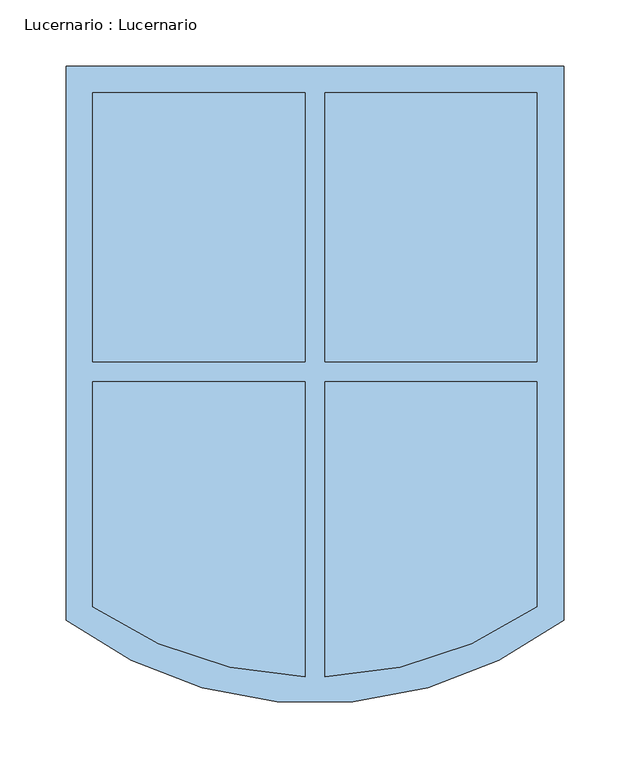
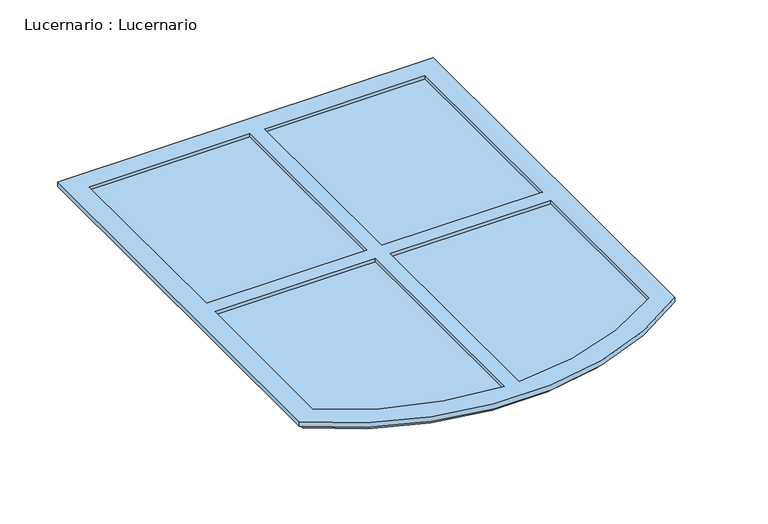
"""IFC4 building model written with IfcOpenShell, lengths in millimetres: window geometry, Lucernario : Lucernario."""

from ifc_helpers import new_model, si_unit, point, frame, frame_2d, origin, place, context, project, spatial, polyline, circle_curve, trimmed, segment, composite_curve, outline, extrude, source, transform, mapped, element, save
from ifc_brep_helpers import plane_surface, cylinder_surface, revolved_surface, advanced_brep


def lucernario_lucernario_9e6fcc1d(model_context):
    return source(origin(), model_context, "Body", "SolidModel", [
        advanced_brep(
        [(-7.5, 220.0, 4080.0), (-7.5, 220.0, 4070.0), (-7.5, 17.5, 4070.0), (-7.5, 17.5, 4080.0), (-7.5, -219.9038475, 4070.0), (-7.5, -219.9038475, 4080.0), (-7.5, 2.5, 4080.0), (-7.5, 2.5, 4070.0), (7.5, 220.0, 4070.0), (7.5, 220.0, 4080.0), (7.5, 17.5, 4080.0), (7.5, 17.5, 4070.0), (7.5, -219.9038475, 4080.0), (7.5, -219.9038475, 4070.0), (7.5, 2.5, 4070.0), (7.5, 2.5, 4080.0), (-182.5, 235.0, 4070.0), (-182.5, 235.0, 4075.0), (182.5, 235.0, 4075.0), (182.5, 235.0, 4070.0), (-187.5, 240.0, 4075.0), (-187.5, 240.0, 4080.0), (187.5, 240.0, 4080.0), (187.5, 240.0, 4075.0), (-167.5, 220.0, 4080.0), (-167.5, 220.0, 4070.0), (167.5, 220.0, 4070.0), (167.5, 220.0, 4080.0), (182.5, -175.0, 4075.0), (182.5, -175.0, 4070.0), (187.5, -177.5130178, 4080.0), (187.5, -177.5130178, 4075.0), (167.5, 17.5, 4070.0), (167.5, 17.5, 4080.0), (167.5, -167.3030218, 4070.0), (167.5, -167.3030218, 4080.0), (167.5, 2.5, 4080.0), (167.5, 2.5, 4070.0), (-182.5, -175.0, 4075.0), (-182.5, -175.0, 4070.0), (-187.5, -177.5130178, 4075.0), (-187.5, -177.5130178, 4080.0), (-167.5, -167.3030218, 4080.0), (-167.5, 2.5, 4080.0), (-167.5, 17.5, 4080.0), (-167.5, -167.3030218, 4070.0), (-167.5, 17.5, 4070.0), (-167.5, 2.5, 4070.0)],
        [
            (0, 1),
            (1, 2),
            (2, 3),
            (3, 0),
            (4, 5),
            (5, 6),
            (6, 7),
            (7, 4),
            (8, 9),
            (9, 10),
            (10, 11),
            (11, 8),
            (12, 13),
            (13, 14),
            (14, 15),
            (15, 12),
            (16, 17),
            (17, 18),
            (18, 19),
            (19, 16),
            (20, 21),
            (21, 22),
            (22, 23),
            (23, 20),
            (24, 25),
            (25, 1),
            (0, 24),
            (26, 27),
            (27, 9),
            (8, 26),
            (18, 28),
            (28, 29),
            (29, 19),
            (22, 30),
            (30, 31),
            (31, 23),
            (26, 32),
            (32, 33),
            (33, 27),
            (34, 35),
            (35, 36),
            (36, 37),
            (37, 34),
            (28, 38, circle_curve(frame((0.0, 72.5520833, 4075.0), z_axis=(0.0, 0.0, -1.0), x_axis=(0.5933954276037426, -0.804911092294653, 0.0)), 307.5520833)),
            (38, 39),
            (39, 29, circle_curve(frame((0.0, 72.5520833, 4070.0), z_axis=(0.0, 0.0, 1.0), x_axis=(0.5933954276037426, -0.804911092294653, 0.0)), 307.5520833)),
            (31, 40, circle_curve(frame((0.0, 72.5520833, 4075.0), z_axis=(0.0, 0.0, -1.0), x_axis=(0.5933954276037426, -0.804911092294653, 0.0)), 312.5520833)),
            (40, 20),
            (17, 38),
            (30, 41, circle_curve(frame((0.0, 72.5520833, 4080.0), z_axis=(0.0, 0.0, -1.0), x_axis=(0.5933954276037426, -0.804911092294653, 0.0)), 312.5520833)),
            (41, 40),
            (21, 41),
            (33, 10),
            (5, 42, circle_curve(frame((0.0, 72.5520833, 4080.0), z_axis=(0.0, 0.0, -1.0), x_axis=(0.5933954276037426, -0.804911092294653, 0.0)), 292.5520833)),
            (42, 43),
            (43, 6),
            (35, 12, circle_curve(frame((0.0, 72.5520833, 4080.0), z_axis=(0.0, 0.0, -1.0), x_axis=(0.5933954276037426, -0.804911092294653, 0.0)), 292.5520833)),
            (15, 36),
            (3, 44),
            (44, 24),
            (34, 13, circle_curve(frame((0.0, 72.5520833, 4070.0), z_axis=(0.0, 0.0, -1.0), x_axis=(0.5933954276037426, -0.804911092294653, 0.0)), 292.5520833)),
            (45, 42),
            (4, 45, circle_curve(frame((0.0, 72.5520833, 4070.0), z_axis=(0.0, 0.0, -1.0), x_axis=(0.5933954276037426, -0.804911092294653, 0.0)), 292.5520833)),
            (39, 16),
            (25, 46),
            (46, 2),
            (11, 32),
            (37, 14),
            (7, 47),
            (47, 45),
            (44, 46),
            (47, 43),
        ],
        [
            plane_surface(frame((-7.5, -223.6048067, 4080.0), z_axis=(-1.0, 0.0, 0.0), x_axis=(0.0, 1.0, 0.0))),
            plane_surface(frame((7.5, -223.6048067, 4070.0), z_axis=(1.0, 0.0, 0.0), x_axis=(0.0, 1.0, 0.0))),
            plane_surface(frame((-182.5, 235.0, 4075.0), z_axis=(0.0, 1.0, 0.0), x_axis=(1.0, 0.0, 0.0))),
            plane_surface(frame((-187.5, 240.0, 4080.0), z_axis=(0.0, 1.0, 0.0), x_axis=(1.0, 0.0, 0.0))),
            plane_surface(frame((-167.5, 220.0, 4070.0), z_axis=(0.0, -1.0, 0.0), x_axis=(1.0, 0.0, 0.0))),
            plane_surface(frame((182.5, 235.0, 4075.0), z_axis=(1.0, 0.0, 0.0), x_axis=(0.0, -1.0, 0.0))),
            plane_surface(frame((187.5, 240.0, 4080.0), z_axis=(1.0, 0.0, 0.0), x_axis=(0.0, -1.0, 0.0))),
            plane_surface(frame((167.5, 220.0, 4070.0), z_axis=(-1.0, 0.0, 0.0), x_axis=(0.0, -1.0, 0.0))),
            cylinder_surface(frame((0.0, 72.5520833, 4000.0), z_axis=(0.0, 0.0, -1.0), x_axis=(0.5933954276037426, -0.804911092294653, 0.0)), 307.5520833),
            plane_surface(frame((0.0, 72.5520833, 4075.0), z_axis=(0.0, 0.0, -1.0), x_axis=(0.5933954276037426, -0.804911092294653, 0.0))),
            cylinder_surface(frame((0.0, 72.5520833, 4000.0), z_axis=(0.0, 0.0, -1.0), x_axis=(0.5933954276037426, -0.804911092294653, 0.0)), 312.5520833),
            plane_surface(frame((0.0, 72.5520833, 4080.0), z_axis=(0.0, 0.0, 1.0), x_axis=(0.5933954276037426, -0.804911092294653, 0.0))),
            revolved_surface(polyline([(173.59906856616922, -162.9263336220793, 4070.0), (173.59906856616922, -162.9263336220793, 4080.0)]), (0.0, 72.5520833, 4000.0), (0.0, 0.0, -1.0)),
            plane_surface(frame((0.0, 72.5520833, 4070.0), z_axis=(0.0, 0.0, -1.0), x_axis=(0.5933954276037426, -0.804911092294653, 0.0))),
            plane_surface(frame((-182.5, -175.0, 4075.0), z_axis=(-1.0, 0.0, 0.0), x_axis=(0.0, 1.0, 0.0))),
            plane_surface(frame((-187.5, -177.5130178, 4080.0), z_axis=(-1.0, 0.0, 0.0), x_axis=(0.0, 1.0, 0.0))),
            plane_surface(frame((-167.5, -167.3030218, 4070.0), z_axis=(1.0, 0.0, 0.0), x_axis=(0.0, 1.0, 0.0))),
            plane_surface(frame((167.5, 17.5, 4070.0), z_axis=(0.0, 1.0, 0.0), x_axis=(-1.0, 0.0, 0.0))),
            plane_surface(frame((167.5, 2.5, 4080.0), z_axis=(0.0, -1.0, 0.0), x_axis=(-1.0, 0.0, 0.0))),
        ],
        [
            (0, [[1, 2, 3, 4]]),
            (0, [[5, 6, 7, 8]]),
            (1, [[9, 10, 11, 12]]),
            (1, [[13, 14, 15, 16]]),
            (2, [[17, 18, 19, 20]]),
            (3, [[21, 22, 23, 24]]),
            (4, [[25, 26, -1, 27]]),
            (4, [[28, 29, -9, 30]]),
            (5, [[-19, 31, 32, 33]]),
            (6, [[-23, 34, 35, 36]]),
            (7, [[-28, 37, 38, 39]]),
            (7, [[40, 41, 42, 43]]),
            (8, [[-32, 44, 45, 46]]),
            (9, [[-24, -36, 47, 48], [-18, 49, -44, -31]]),
            (10, [[-35, 50, 51, -47]]),
            (11, [[-22, 52, -50, -34], [-39, 53, -10, -29], [54, 55, 56, -6], [57, -16, 58, -41], [-4, 59, 60, -27]]),
            (12, [[-40, 61, -13, -57]]),
            (12, [[62, -54, -5, 63]]),
            (13, [[-20, -33, -46, 64], [-26, 65, 66, -2], [-30, -12, 67, -37], [-43, 68, -14, -61], [-8, 69, 70, -63]]),
            (14, [[-17, -64, -45, -49]]),
            (15, [[-21, -48, -51, -52]]),
            (16, [[-25, -60, 71, -65]]),
            (16, [[-62, -70, 72, -55]]),
            (17, [[-53, -38, -67, -11]]),
            (17, [[-66, -71, -59, -3]]),
            (18, [[-58, -15, -68, -42]]),
            (18, [[-69, -7, -56, -72]]),
        ],
    ),
        extrude(outline(composite_curve([segment(polyline([(7.5, -219.9038475), (7.5, 2.5), (167.5, 2.5), (167.5, -167.3030218)]), True, "CONTINUOUS"), segment(trimmed(circle_curve(frame_2d((0.0, 72.5520833)), 292.5520833), [point((167.5, -167.3030218))], [point((7.5, -219.9038475))], False, "CARTESIAN"), True, "CONTINUOUS")], self_intersect=False)), frame((0.0, 0.0, 4073.0), z_axis=(0.0, 0.0, 1.0), x_axis=(1.0, 0.0, 0.0)), (0.0, 0.0, 1.0), 4.0),
        extrude(outline(composite_curve([segment(polyline([(-7.5, 2.5), (-7.5, -219.9038475)]), True, "CONTINUOUS"), segment(trimmed(circle_curve(frame_2d((0.0, 72.5520833)), 292.5520833), [point((-7.5, -219.9038475))], [point((-167.5, -167.3030218))], False, "CARTESIAN"), True, "CONTINUOUS"), segment(polyline([(-167.5, -167.3030218), (-167.5, 2.5), (-7.5, 2.5)]), True, "CONTINUOUS")], self_intersect=False)), frame((0.0, 0.0, 4073.0), z_axis=(0.0, 0.0, 1.0), x_axis=(1.0, 0.0, 0.0)), (0.0, 0.0, 1.0), 4.0),
        extrude(outline(polyline([(-167.5, 17.5), (-167.5, 220.0), (-7.5, 220.0), (-7.5, 17.5), (-167.5, 17.5)])), frame((0.0, 0.0, 4073.0), z_axis=(0.0, 0.0, 1.0), x_axis=(1.0, 0.0, 0.0)), (0.0, 0.0, 1.0), 4.0),
        extrude(outline(polyline([(7.5, 17.5), (7.5, 220.0), (167.5, 220.0), (167.5, 17.5), (7.5, 17.5)])), frame((0.0, 0.0, 4073.0), z_axis=(0.0, 0.0, 1.0), x_axis=(1.0, 0.0, 0.0)), (0.0, 0.0, 1.0), 4.0),
    ])


if __name__ == "__main__":
    model = new_model("IFC4")
    model_context = context("Model", 3, world=origin())
    ifc_project = project(units=[si_unit("LENGTHUNIT", "METRE", prefix="MILLI")], contexts=[model_context])
    site = spatial("IfcSite", under=ifc_project)
    building = spatial("IfcBuilding", under=site)
    placement = place(None, origin())
    lucernario_lucernario_shape = lucernario_lucernario_9e6fcc1d(model_context)
    element("IfcWindow", 1, ObjectType="Lucernario : Lucernario", at=placement, inside=building, context=model_context, shape_type="MappedRepresentation", body=[
        mapped(lucernario_lucernario_shape, transform((0.0, 0.0, 0.0), x_axis=(1.0, 0.0, 0.0), y_axis=(0.0, 1.0, 0.0), z_axis=(0.0, 0.0, 1.0))),
    ])
    save(model, "model.ifc")
